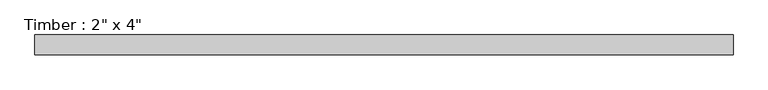
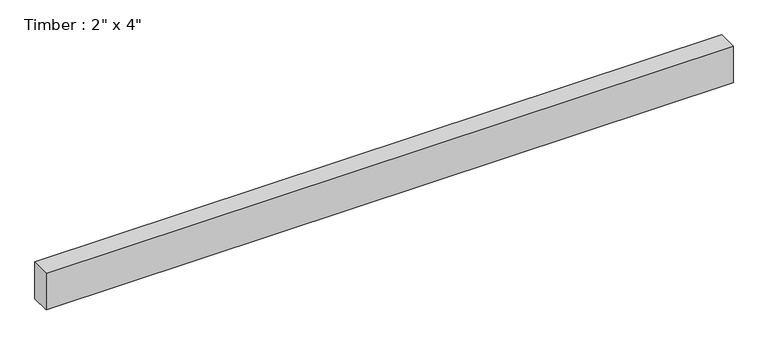
"""IFC4 building model written with IfcOpenShell, lengths in millimetres: beam geometry."""

from ifc_helpers import new_model, si_unit, frame, origin, place, context, project, spatial, polyline, outline, extrude, source, transform, mapped, element, save


def beam_118eeda1(model_context):
    return source(origin(), model_context, "Body", "SweptSolid", [
        extrude(outline(polyline([(898.5830607, 25.4), (898.5830607, -25.4), (-898.5830607, -25.4), (-898.5830607, 25.4), (898.5830607, 25.4)])), frame((0.0, 0.0, -50.8), z_axis=(0.0, 0.0, 1.0), x_axis=(1.0, 0.0, 0.0)), (0.0, 0.0, 1.0), 101.6),
    ])


if __name__ == "__main__":
    model = new_model("IFC4")
    model_context = context("Model", 3, world=origin())
    ifc_project = project(units=[si_unit("LENGTHUNIT", "METRE", prefix="MILLI")], contexts=[model_context])
    site = spatial("IfcSite", under=ifc_project)
    building = spatial("IfcBuilding", under=site)
    placement = place(None, origin())
    beam_shape = beam_118eeda1(model_context)
    element("IfcBeam", 1, ObjectType="Timber : 2\" x 4\"", at=placement, inside=building, context=model_context, shape_type="MappedRepresentation", body=[
        mapped(beam_shape, transform((0.0, 0.0, 0.0), x_axis=(1.0, 0.0, 0.0), y_axis=(0.0, 1.0, 0.0), z_axis=(0.0, 0.0, 1.0))),
    ])
    save(model, "model.ifc")
